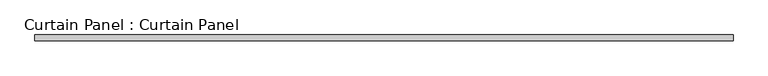
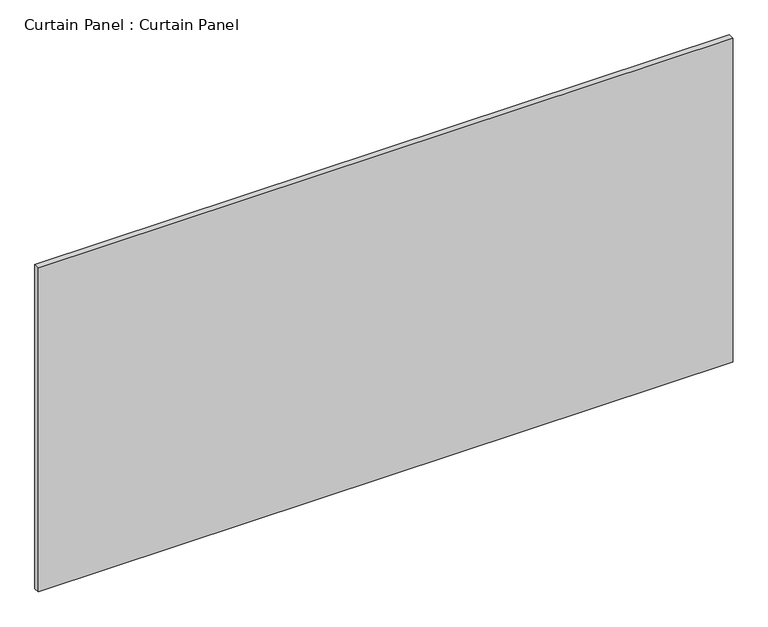
"""IFC4 building model written with IfcOpenShell, lengths in millimetres: plate geometry, Curtain Panel : Curtain Panel."""

from ifc_helpers import new_model, si_unit, frame, origin, place, context, project, spatial, polyline, outline, extrude, source, transform, mapped, element, save


def curtain_panel_curtain_panel_b36fee40(model_context):
    return source(origin(), model_context, "Body", "SweptSolid", [
        extrude(outline(polyline([(-114608.3555895, -9130.4431787), (-117621.4305895, -9130.4431787), (-117621.4305895, -9105.0431787), (-114608.3555895, -9105.0431787), (-114608.3555895, -9130.4431787)])), frame((0.0, 0.0, 1593.453125), z_axis=(0.0, 0.0, 1.0), x_axis=(1.0, 0.0, 0.0)), (0.0, 0.0, 1.0), 1485.9),
    ])


if __name__ == "__main__":
    model = new_model("IFC4")
    model_context = context("Model", 3, world=origin())
    ifc_project = project(units=[si_unit("LENGTHUNIT", "METRE", prefix="MILLI")], contexts=[model_context])
    site = spatial("IfcSite", under=ifc_project)
    building = spatial("IfcBuilding", under=site)
    placement = place(None, origin())
    curtain_panel_curtain_panel_shape = curtain_panel_curtain_panel_b36fee40(model_context)
    element("IfcPlate", 1, ObjectType="Curtain Panel : Curtain Panel", at=placement, inside=building, context=model_context, shape_type="MappedRepresentation", body=[
        mapped(curtain_panel_curtain_panel_shape, transform((0.0, 0.0, 0.0), x_axis=(1.0, 0.0, 0.0), y_axis=(0.0, 1.0, 0.0), z_axis=(0.0, 0.0, 1.0))),
    ])
    save(model, "model.ifc")
